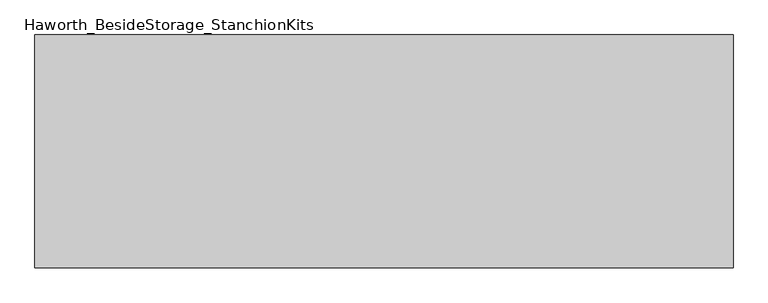
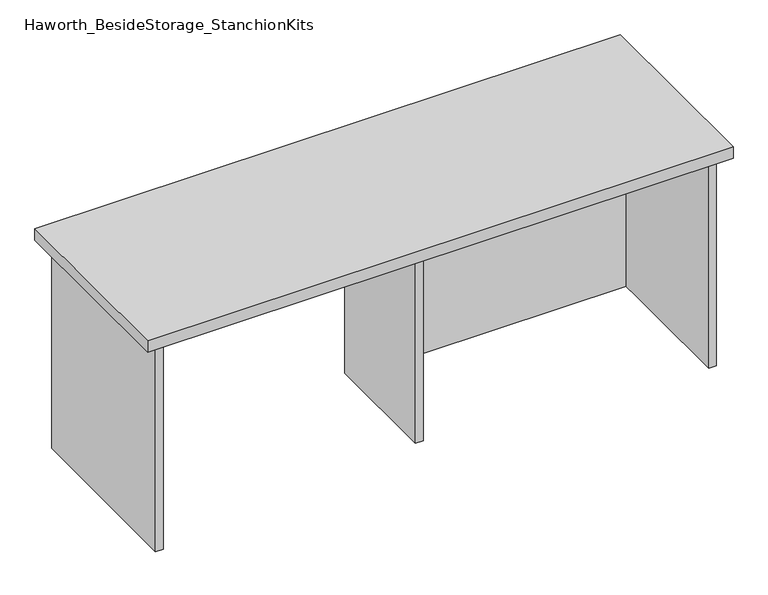
"""IFC4 building model written with IfcOpenShell, lengths in millimetres: furniture geometry, Haworth_BesideStorage_StanchionKits."""

from ifc_helpers import new_model, si_unit, frame, origin, place, context, project, spatial, polyline, outline, extrude, source, transform, mapped, element, save


def haworth_besidestorage_stanchionkits_7c3a6c40(model_context):
    return source(origin(), model_context, "Body", "SweptSolid", [
        extrude(outline(polyline([(771.525, 0.0), (771.525, -406.4), (-447.675, -406.4), (-447.675, 0.0), (771.525, 0.0)])), frame((0.0, 0.0, 889.0), z_axis=(0.0, 0.0, 1.0), x_axis=(1.0, 0.0, 0.0)), (0.0, 0.0, 1.0), 25.4),
        extrude(outline(polyline([(169.8625, -76.2), (730.25, -76.2), (730.25, -92.075), (169.8625, -92.075), (169.8625, -76.2)])), frame((0.0, 0.0, 431.8), z_axis=(0.0, 0.0, 1.0), x_axis=(1.0, 0.0, 0.0)), (0.0, 0.0, 1.0), 457.2),
        extrude(outline(polyline([(169.8625, -330.2), (153.9875, -330.2), (153.9875, -76.2), (169.8625, -76.2), (169.8625, -330.2)])), frame((0.0, 0.0, 431.8), z_axis=(0.0, 0.0, 1.0), x_axis=(1.0, 0.0, 0.0)), (0.0, 0.0, 1.0), 457.2),
        extrude(outline(polyline([(746.125, -390.525), (730.25, -390.525), (730.25, -15.875), (746.125, -15.875), (746.125, -390.525)])), frame((0.0, 0.0, 431.8), z_axis=(0.0, 0.0, 1.0), x_axis=(1.0, 0.0, 0.0)), (0.0, 0.0, 1.0), 457.2),
        extrude(outline(polyline([(-406.4, -390.525), (-422.275, -390.525), (-422.275, -15.875), (-406.4, -15.875), (-406.4, -390.525)])), frame((0.0, 0.0, 431.8), z_axis=(0.0, 0.0, 1.0), x_axis=(1.0, 0.0, 0.0)), (0.0, 0.0, 1.0), 457.2),
    ])


if __name__ == "__main__":
    model = new_model("IFC4")
    model_context = context("Model", 3, world=origin())
    ifc_project = project(units=[si_unit("LENGTHUNIT", "METRE", prefix="MILLI")], contexts=[model_context])
    site = spatial("IfcSite", under=ifc_project)
    building = spatial("IfcBuilding", under=site)
    placement = place(None, origin())
    haworth_besidestorage_stanchionkits_shape = haworth_besidestorage_stanchionkits_7c3a6c40(model_context)
    element("IfcFurniture", 1, ObjectType="Haworth_BesideStorage_StanchionKits", at=placement, inside=building, context=model_context, shape_type="MappedRepresentation", body=[
        mapped(haworth_besidestorage_stanchionkits_shape, transform((0.0, 0.0, 0.0), x_axis=(1.0, 0.0, 0.0), y_axis=(0.0, 1.0, 0.0), z_axis=(0.0, 0.0, 1.0))),
    ])
    save(model, "model.ifc")
